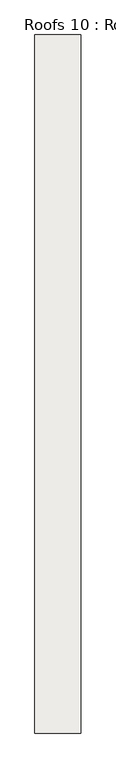
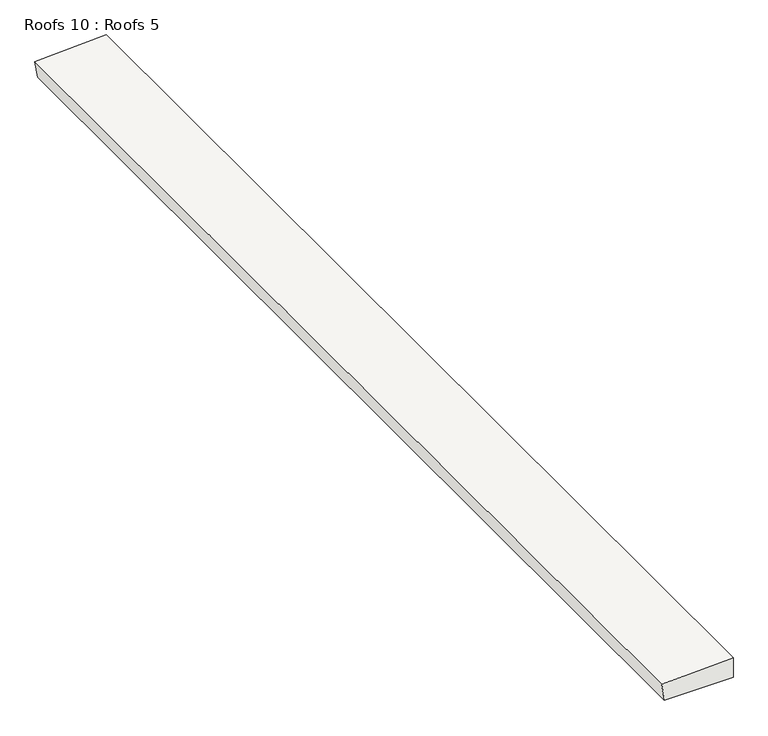
"""IFC4 building model written with IfcOpenShell, lengths in millimetres: roof geometry, Roofs 10 : Roofs 5."""

from ifc_helpers import new_model, si_unit, frame, origin, place, context, project, spatial, polyline, outline, extrude, source, transform, mapped, element, save


def roofs_10_roofs_5_1f346447(model_context):
    return source(origin(), model_context, "Body", "SweptSolid", [
        extrude(outline(polyline([(-1721.0068927, -12602.1969605), (-1606.7068927, -12602.1969605), (-1624.1593373, -12991.4760789), (-1721.0068927, -12976.136933), (-1721.0068927, -12602.1969605)])), frame((0.0, 14455.23592, 0.0), z_axis=(0.0, 1.0, 0.0), x_axis=(0.0, 0.0, 1.0)), (0.0, 0.0, 1.0), 5915.1935006),
    ])


if __name__ == "__main__":
    model = new_model("IFC4")
    model_context = context("Model", 3, world=origin())
    ifc_project = project(units=[si_unit("LENGTHUNIT", "METRE", prefix="MILLI")], contexts=[model_context])
    site = spatial("IfcSite", under=ifc_project)
    building = spatial("IfcBuilding", under=site)
    placement = place(None, origin())
    roofs_10_roofs_5_shape = roofs_10_roofs_5_1f346447(model_context)
    element("IfcRoof", 1, ObjectType="Roofs 10 : Roofs 5", at=placement, inside=building, context=model_context, shape_type="MappedRepresentation", body=[
        mapped(roofs_10_roofs_5_shape, transform((0.0, 0.0, 0.0), x_axis=(1.0, 0.0, 0.0), y_axis=(0.0, 1.0, 0.0), z_axis=(0.0, 0.0, 1.0))),
    ])
    save(model, "model.ifc")
